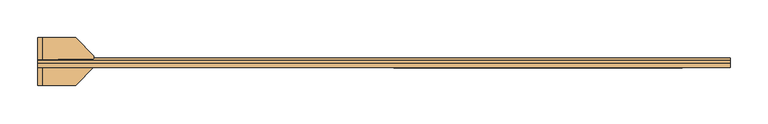
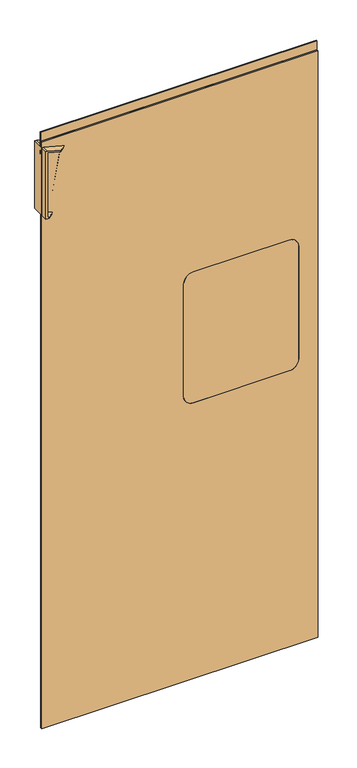
"""IFC4 building model written with IfcOpenShell, lengths in millimetres: door geometry."""

import ifcopenshell
import ifcopenshell.guid

model = None  # the IFC model being written
_history = None  # IfcOwnerHistory: only IFC2X3 demands one
_inside = {}  # id of a spatial element -> (the spatial element, [elements in it])
_under = {}  # id of a project, library or spatial element -> (it, [spatial elements below it])
_declared = {}  # id of a project -> (the project, [libraries it declares])
_typed = {}  # id of a type object -> (the type object, [elements of that type])
_made_of = {}  # id of a material, layer set ... -> (it, [elements and type objects made of it])


def new_model(schema):
    """Start an empty IFC model of exactly this schema.

    Asked for "IFC4X3", IfcOpenShell would pick the latest addendum, in which some entities
    have other attributes; the version numbers below select the first issue.
    IFC2X3 requires an IfcOwnerHistory on every rooted entity: one is made here for all.
    """
    global model, _history
    if schema == "IFC4X3":
        model = ifcopenshell.file(schema_version=(4, 3, 0, 0))
    else:
        model = ifcopenshell.file(schema=schema)
    _inside.clear()
    _under.clear()
    _declared.clear()
    _typed.clear()
    _made_of.clear()
    _history = None
    if model.schema == "IFC2X3":
        org = make("IfcOrganization", Name="unknown")
        user = make(
            "IfcPersonAndOrganization",
            ThePerson=make("IfcPerson", FamilyName="unknown"),
            TheOrganization=org,
        )
        app = make(
            "IfcApplication",
            ApplicationDeveloper=org,
            Version="unknown",
            ApplicationFullName="unknown",
            ApplicationIdentifier="unknown",
        )
        _history = make(
            "IfcOwnerHistory",
            OwningUser=user,
            OwningApplication=app,
            ChangeAction="ADDED",
            CreationDate=0,
        )
    return model


def make(cls, **values):
    """One entity of the class cls with the attributes given. An attribute that is None is left unset."""
    return model.create_entity(
        cls, **{name: value for name, value in values.items() if value is not None}
    )


def rooted(cls, **values):
    """An entity with a GlobalId (a new one), such as an element, a storey or a relation."""
    return make(cls, GlobalId=ifcopenshell.guid.new(), OwnerHistory=_history, **values)


def si_unit(unit_type, name, prefix=None):
    """IfcSIUnit, for example si_unit("LENGTHUNIT", "METRE", prefix="MILLI")."""
    return make("IfcSIUnit", UnitType=unit_type, Prefix=prefix, Name=name)


def assignment(units):
    """IfcUnitAssignment: the units of a project."""
    return None if units is None else make("IfcUnitAssignment", Units=units)


def point(xyz):
    """IfcCartesianPoint."""
    return None if xyz is None else make("IfcCartesianPoint", Coordinates=xyz)


def direction(xyz):
    """IfcDirection."""
    return None if xyz is None else make("IfcDirection", DirectionRatios=xyz)


def frame(location, z_axis=None, x_axis=None):
    """IfcAxis2Placement3D, a coordinate frame: its origin and axes. An axis left out is left unset."""
    return make(
        "IfcAxis2Placement3D",
        Location=point(location),
        Axis=direction(z_axis),
        RefDirection=direction(x_axis),
    )


def frame_2d(location, x_axis=None):
    """IfcAxis2Placement2D, a coordinate frame in the plane: its origin and x axis."""
    return make(
        "IfcAxis2Placement2D", Location=point(location), RefDirection=direction(x_axis)
    )


def origin():
    """The frame at (0, 0, 0) with its axes left unset."""
    return frame((0.0, 0.0, 0.0))


def place(relative_to, where):
    """IfcLocalPlacement: puts the frame where relative to a parent placement (None: the world)."""
    return make(
        "IfcLocalPlacement", PlacementRelTo=relative_to, RelativePlacement=where
    )


def context(
    kind, dimensions, precision=None, world=None, true_north=None, identifier=None
):
    """IfcGeometricRepresentationContext, for example the 3D "Model" context."""
    return make(
        "IfcGeometricRepresentationContext",
        ContextIdentifier=identifier,
        ContextType=kind,
        CoordinateSpaceDimension=dimensions,
        Precision=precision,
        WorldCoordinateSystem=world,
        TrueNorth=true_north,
    )


def project(units=None, contexts=None):
    """IfcProject with its units and contexts."""
    return rooted(
        "IfcProject",
        Name="project",
        RepresentationContexts=contexts,
        UnitsInContext=assignment(units),
    )


def spatial(cls, under=None, at=None, **own):
    """A site, building, storey or space (cls), placed at a placement, below another one or the project."""
    s = rooted(cls, ObjectPlacement=at, **own)
    if under is not None:
        _under.setdefault(under.id(), (under, []))[1].append(s)
    return s


def polyline(points):
    """IfcPolyline through the points."""
    return make("IfcPolyline", Points=[point(p) for p in points])


def circle_curve(where, radius):
    """IfcCircle in the frame where."""
    return make("IfcCircle", Position=where, Radius=radius)


def ellipse_curve(where, semi_axis1, semi_axis2):
    """IfcEllipse in the frame where."""
    return make(
        "IfcEllipse", Position=where, SemiAxis1=semi_axis1, SemiAxis2=semi_axis2
    )


def trimmed(basis, trim1, trim2, sense, master):
    """IfcTrimmedCurve: the piece of a basis curve between two trims."""
    return make(
        "IfcTrimmedCurve",
        BasisCurve=basis,
        Trim1=trim1,
        Trim2=trim2,
        SenseAgreement=sense,
        MasterRepresentation=master,
    )


def segment(curve, same_sense, transition):
    """IfcCompositeCurveSegment."""
    return make(
        "IfcCompositeCurveSegment",
        Transition=transition,
        SameSense=same_sense,
        ParentCurve=curve,
    )


def composite_curve(segments, self_intersect=None):
    """IfcCompositeCurve: segments joined end to end."""
    return make("IfcCompositeCurve", Segments=segments, SelfIntersect=self_intersect)


def outline(outer, holes=None, kind="AREA"):
    """IfcArbitraryClosedProfileDef: a profile drawn as a closed curve; with holes, ...WithVoids."""
    if holes is None:
        return make("IfcArbitraryClosedProfileDef", ProfileType=kind, OuterCurve=outer)
    return make(
        "IfcArbitraryProfileDefWithVoids",
        ProfileType=kind,
        OuterCurve=outer,
        InnerCurves=holes,
    )


def extrude(swept, where, along, depth):
    """IfcExtrudedAreaSolid: the profile swept, set in the frame where, extruded along a direction by depth."""
    return make(
        "IfcExtrudedAreaSolid",
        SweptArea=swept,
        Position=where,
        ExtrudedDirection=direction(along),
        Depth=depth,
    )


def shape(context_of_items, identifier, shape_type, items):
    """IfcShapeRepresentation: the items that make up one representation, for example the "Body"."""
    return make(
        "IfcShapeRepresentation",
        ContextOfItems=context_of_items,
        RepresentationIdentifier=identifier,
        RepresentationType=shape_type,
        Items=items,
    )


def source(mapping_origin, context_of_items, identifier, shape_type, items):
    """IfcRepresentationMap: a shape defined once, which mapped items show again and again."""
    return make(
        "IfcRepresentationMap",
        MappingOrigin=mapping_origin,
        MappedRepresentation=shape(context_of_items, identifier, shape_type, items),
    )


def transform(
    local_origin,
    x_axis=None,
    y_axis=None,
    z_axis=None,
    scale=None,
    scale2=None,
    scale3=None,
    uniform=True,
):
    """IfcCartesianTransformationOperator3D, or its non-uniform kind. x_axis, y_axis, z_axis: its Axis1, 2, 3."""
    if uniform:
        return make(
            "IfcCartesianTransformationOperator3D",
            Axis1=direction(x_axis),
            Axis2=direction(y_axis),
            LocalOrigin=point(local_origin),
            Scale=scale,
            Axis3=direction(z_axis),
        )
    return make(
        "IfcCartesianTransformationOperator3DnonUniform",
        Axis1=direction(x_axis),
        Axis2=direction(y_axis),
        LocalOrigin=point(local_origin),
        Scale=scale,
        Axis3=direction(z_axis),
        Scale2=scale2,
        Scale3=scale3,
    )


def mapped(mapping_source, mapping_target):
    """IfcMappedItem: shows the shape of a source again, moved by a transform."""
    return make(
        "IfcMappedItem", MappingSource=mapping_source, MappingTarget=mapping_target
    )


def made_of(thing, what):
    """Note that an element or type object is made of a material, layer set ...; save() writes the relation."""
    if what is not None:
        _made_of.setdefault(what.id(), (what, []))[1].append(thing)
    return thing


def element(
    cls,
    number,
    at=None,
    inside=None,
    cuts=None,
    type_object=None,
    material=None,
    context=None,
    identifier="Body",
    shape_type=None,
    held_by="IfcProductDefinitionShape",
    body=None,
    shapes=None,
    **own,
):
    """One element of the class cls, such as IfcWall. Its Tag is "e" and its number.

    at: its placement. inside: the storey or other place that contains it. cuts: it is an
    opening in that element (IfcRelVoidsElement). A single representation is given by context,
    identifier, shape_type and body (its items); several are given by shapes. held_by: the class
    of the entity that holds the representations. save() writes the other relations.
    """
    e = rooted(cls, Tag="e%d" % number, ObjectPlacement=at, **own)
    if body is not None:
        shapes = [shape(context, identifier, shape_type, body)]
    if shapes is not None:
        e.Representation = make(held_by, Representations=shapes)
    if inside is not None:
        _inside.setdefault(inside.id(), (inside, []))[1].append(e)
    if cuts is not None:
        rooted(
            "IfcRelVoidsElement", RelatingBuildingElement=cuts, RelatedOpeningElement=e
        )
    if type_object is not None:
        _typed.setdefault(type_object.id(), (type_object, []))[1].append(e)
    return made_of(e, material)


def aggregate(whole, parts):
    """IfcRelAggregates: a whole, such as a stair, and the parts it consists of."""
    return rooted("IfcRelAggregates", RelatingObject=whole, RelatedObjects=parts)


def save(model, path):
    """Write the relations noted so far, then the file.

    IfcRelAggregates (storeys below a building ...), IfcRelContainedInSpatialStructure (elements
    in a storey), IfcRelDefinesByType, IfcRelAssociatesMaterial and IfcRelDeclares: one each for
    every whole, place, type object, material and project.
    """
    for whole, parts in _under.values():
        aggregate(whole, parts)
    for where, things in _inside.values():
        rooted(
            "IfcRelContainedInSpatialStructure",
            RelatedElements=things,
            RelatingStructure=where,
        )
    for kind, things in _typed.values():
        rooted("IfcRelDefinesByType", RelatedObjects=things, RelatingType=kind)
    for what, things in _made_of.values():
        rooted("IfcRelAssociatesMaterial", RelatedObjects=things, RelatingMaterial=what)
    for by, libraries in _declared.values():
        rooted("IfcRelDeclares", RelatingContext=by, RelatedDefinitions=libraries)
    model.write(path)


def plane_surface(at):
    """IfcPlane: the flat surface through the origin of the frame at, square to its z axis."""
    return make("IfcPlane", Position=at)


def cylinder_surface(at, radius):
    """IfcCylindricalSurface: all points at the distance radius from the z axis of the frame at."""
    return make("IfcCylindricalSurface", Position=at, Radius=radius)


def revolved_surface(curve, axis_point, axis_direction):
    """IfcSurfaceOfRevolution: the curve turned about the line through axis_point along axis_direction."""
    return make(
        "IfcSurfaceOfRevolution",
        SweptCurve=make("IfcArbitraryOpenProfileDef", ProfileType="CURVE", Curve=curve),
        AxisPosition=make("IfcAxis1Placement", Location=point(axis_point), Axis=direction(axis_direction)),
    )


def advanced_brep(points, edges, surfaces, faces):
    """IfcAdvancedBrep: a solid bounded by faces that lie on surfaces and meet in shared edges.

    An edge is (start, end): straight between two places in points (the first is 0);
    or (start, end, curve); or (start, end, curve, False) where it runs against its curve.
    A face is (place in surfaces, loops), or (place, loops, False) where it looks against
    its surface's normal. A loop lists edges by number (the first is 1), with a minus sign
    where the edge is run from its end to its start. The first loop is the outer one.
    """
    corners = [point(p) for p in points]
    vertices = [make("IfcVertexPoint", VertexGeometry=c) for c in corners]
    made = []
    for start, end, *more in edges:
        made.append(
            make(
                "IfcEdgeCurve",
                EdgeStart=vertices[start],
                EdgeEnd=vertices[end],
                EdgeGeometry=more[0] if more else make("IfcPolyline", Points=[corners[start], corners[end]]),
                SameSense=more[1] if len(more) > 1 else True,
            )
        )
    hull = []
    for where, loops, *sense in faces:
        bounds = []
        for j, loop in enumerate(loops):
            ring = [make("IfcOrientedEdge", EdgeElement=made[abs(k) - 1], Orientation=k > 0) for k in loop]
            bounds.append(
                make(
                    "IfcFaceOuterBound" if j == 0 else "IfcFaceBound",
                    Bound=make("IfcEdgeLoop", EdgeList=ring),
                    Orientation=True,
                )
            )
        hull.append(make("IfcAdvancedFace", Bounds=bounds, FaceSurface=surfaces[where], SameSense=sense[0] if sense else True))
    return make("IfcAdvancedBrep", Outer=make("IfcClosedShell", CfsFaces=hull))


def door_c4492dbf(model_context):
    return source(origin(), model_context, "Body", "SolidModel", [
        advanced_brep(
        [(1225.8019187, -830.8910438, 2071.0742159), (1182.0406968, -830.8910438, 2082.8), (1182.0406968, -894.3910438, 2082.8), (1225.8019187, -894.3910438, 2071.0742159), (1249.4426322, -869.9163763, 2064.7397058), (1249.4426322, -855.3657114, 2064.7397058), (1224.4650595, -830.8910438, 2066.0849895), (1248.105773, -855.3657114, 2059.7504794), (1248.105773, -869.9163763, 2059.7504794), (1224.4650595, -894.3910438, 2066.0849895), (1182.0406968, -894.3910438, 2077.4525632), (1182.0406968, -830.8910438, 2077.4525632), (1242.8054056, -862.6410438, 2061.1707086), (1230.5381476, -862.6410438, 2064.4577104), (1182.0406968, -830.8910438, 1854.4149189), (1188.1743258, -830.8910438, 1852.771418), (1186.5330961, -830.8910438, 1846.6462652), (1182.0406968, -830.8910438, 1847.85), (1175.6906968, -830.8910438, 1847.85), (1175.6906968, -830.8910438, 2082.8), (1175.6906968, -894.3910438, 2082.8), (1175.6906968, -894.3910438, 1847.85), (1182.0406968, -894.3910438, 1847.85), (1186.5330961, -894.3910438, 1846.6462652), (1188.1743258, -894.3910438, 1852.771418), (1182.0406968, -894.3910438, 1854.4149189), (1212.0136473, -869.7107622, 1846.383691), (1212.0136473, -855.5713255, 1846.383691), (1210.3724175, -855.5713255, 1840.2585383), (1210.3724175, -869.7107622, 1840.2585383), (1203.3407, -862.6410438, 1849.7196986), (1190.893543, -862.6410438, 1852.0428059), (1197.027172, -862.6410438, 1850.399305)],
        [
            (0, 1),
            (1, 2),
            (2, 3),
            (3, 4),
            (4, 5),
            (5, 0),
            (6, 7),
            (7, 8),
            (8, 9),
            (9, 10),
            (10, 11),
            (11, 6),
            (12, 13, ellipse_curve(frame((1236.6717766, -862.6410438, 2062.8142095), z_axis=(0.2588190451025264, 0.0, 0.9659258262890668), x_axis=(0.9659258262890668, 0.0, -0.25881904510252673)), 6.35, 6.3310454)),
            (13, 12, ellipse_curve(frame((1236.6717766, -862.6410438, 2062.8142095), z_axis=(0.2588190451025264, 0.0, 0.9659258262890668), x_axis=(0.9659258262890668, 0.0, -0.25881904510252673)), 6.35, 6.3310454)),
            (0, 6),
            (11, 14),
            (14, 15),
            (15, 16),
            (16, 17),
            (17, 18),
            (18, 19),
            (19, 1),
            (2, 20),
            (20, 21),
            (21, 22),
            (22, 23),
            (23, 24),
            (24, 25),
            (25, 10),
            (9, 3),
            (8, 4),
            (7, 5),
            (21, 18),
            (17, 22),
            (25, 14),
            (19, 20),
            (24, 26),
            (26, 27),
            (27, 15),
            (16, 28),
            (28, 29),
            (29, 23),
            (29, 26),
            (28, 27),
            (30, 31, circle_curve(frame((1197.1171215, -862.6410438, 1850.8812522), z_axis=(0.1834694866417535, 0.0, 0.9830254053031445), x_axis=(-0.9830254053031445, 0.0, 0.1834694866417535)), 6.3310454)),
            (31, 13),
            (12, 30),
            (31, 30, circle_curve(frame((1197.1171215, -862.6410438, 1850.8812522), z_axis=(0.1834694866417535, 0.0, 0.9830254053031445), x_axis=(-0.9830254053031445, 0.0, 0.1834694866417535)), 6.3310454)),
            (30, 32),
            (32, 31),
        ],
        [
            plane_surface(frame((1182.0406968, -830.8910438, 2082.8), z_axis=(0.2588190451025264, 0.0, 0.9659258262890668), x_axis=(-0.9659258262890668, 0.0, 0.2588190451025264))),
            plane_surface(frame((1180.7038376, -830.8910438, 2077.8107736), z_axis=(-0.2588190451025264, 0.0, -0.9659258262890668), x_axis=(0.9659258262890668, 0.0, -0.2588190451025264))),
            plane_surface(frame((1225.8019187, -830.8910438, 2071.0742159), z_axis=(0.0, 1.0, 0.0), x_axis=(-0.25881904510252596, 0.0, -0.965925826289067))),
            plane_surface(frame((1182.0406968, -894.3910438, 2082.8), z_axis=(0.0, -1.0, 0.0), x_axis=(-0.25881904510252585, 0.0, -0.965925826289067))),
            plane_surface(frame((1225.8019187, -894.3910438, 2071.0742159), z_axis=(0.6830127018922182, -0.7071067811865478, -0.18301270189222296), x_axis=(-0.25881904510252596, 0.0, -0.965925826289067))),
            plane_surface(frame((1249.4426322, -869.9163763, 2064.7397058), z_axis=(0.965925826289067, 0.0, -0.25881904510252596), x_axis=(-0.25881904510252596, 0.0, -0.965925826289067))),
            plane_surface(frame((1249.4426322, -855.3657114, 2064.7397058), z_axis=(0.6830127018922197, 0.7071067811865462, -0.18301270189222335), x_axis=(-0.25881904510252596, 0.0, -0.965925826289067))),
            plane_surface(frame((1175.6906968, -894.3910438, 1847.85), z_axis=(0.0, 0.0, -1.0), x_axis=(0.0, 1.0, 0.0))),
            plane_surface(frame((1182.0406968, -894.3910438, 1847.85), z_axis=(1.0, 0.0, 0.0), x_axis=(0.0, 1.0, 0.0))),
            plane_surface(frame((1182.0406968, -894.3910438, 2082.8), z_axis=(0.0, 0.0, 1.0), x_axis=(0.0, 1.0, 0.0))),
            plane_surface(frame((1175.6906968, -894.3910438, 2082.8), z_axis=(-1.0, 0.0, 0.0), x_axis=(0.0, 1.0, 0.0))),
            plane_surface(frame((1182.0406968, -830.8910438, 1854.4149189), z_axis=(0.25881904510252646, 0.0, 0.9659258262890668), x_axis=(-0.9659258262890668, 0.0, 0.25881904510252646))),
            plane_surface(frame((1180.3994671, -830.8910438, 1848.2897662), z_axis=(-0.25881904510252646, 0.0, -0.9659258262890668), x_axis=(0.9659258262890668, 0.0, -0.25881904510252646))),
            plane_surface(frame((1188.1743258, -894.3910438, 1852.771418), z_axis=(0.6830127018922176, -0.7071067811865483, -0.18301270189222274), x_axis=(-0.25881904510252585, 0.0, -0.9659258262890669))),
            plane_surface(frame((1212.0136473, -869.7107622, 1846.383691), z_axis=(0.9659258262890669, 0.0, -0.25881904510252635), x_axis=(-0.25881904510252635, 0.0, -0.9659258262890669))),
            plane_surface(frame((1212.0136473, -855.5713255, 1846.383691), z_axis=(0.6830127018922203, 0.7071067811865456, -0.1830127018922238), x_axis=(-0.25881904510252635, 0.0, -0.9659258262890669))),
            cylinder_surface(frame((1197.027172, -862.6410438, 1850.399305), z_axis=(-0.1834694866417535, 0.0, -0.9830254053031445), x_axis=(-0.9830254053031445, 0.0, 0.1834694866417535)), 6.3310454),
            revolved_surface(polyline([(1190.893543, -862.6410438, 1852.0428059), (1197.027172, -862.6410438, 1850.399305)]), (1197.027172, -862.6410438, 1850.399305), (-0.1834694866417535, 0.0, -0.9830254053031445)),
        ],
        [
            (0, [[1, 2, 3, 4, 5, 6]]),
            (1, [[7, 8, 9, 10, 11, 12], [13, 14]]),
            (2, [[-1, 15, -12, 16, 17, 18, 19, 20, 21, 22]]),
            (3, [[-3, 23, 24, 25, 26, 27, 28, 29, -10, 30]]),
            (4, [[-4, -30, -9, 31]]),
            (5, [[-5, -31, -8, 32]]),
            (6, [[-6, -32, -7, -15]]),
            (7, [[-25, 33, -20, 34]]),
            (8, [[-11, -29, 35, -16]]),
            (9, [[-23, -2, -22, 36]]),
            (10, [[-24, -36, -21, -33]]),
            (11, [[-17, -35, -28, 37, 38, 39]]),
            (12, [[40, 41, 42, -26, -34, -19]]),
            (13, [[-37, -27, -42, 43]]),
            (14, [[-38, -43, -41, 44]]),
            (15, [[-39, -44, -40, -18]]),
            (16, [[45, 46, -13, 47]]),
            (16, [[-46, 48, -47, -14]]),
            (17, [[-45, 49, 50]]),
            (17, [[-48, -50, -49]]),
        ],
    ),
        extrude(outline(composite_curve([segment(polyline([(1473.2, 1994.8406968), (1473.2, 1677.3406968)]), True, "CONTINUOUS"), segment(trimmed(circle_curve(frame_2d((1441.45, 1677.3406968)), 31.75), [point((1473.2, 1677.3406968))], [point((1441.45, 1645.5906968))], False, "CARTESIAN"), True, "CONTINUOUS"), segment(polyline([(1441.45, 1645.5906968), (1047.75, 1645.5906968)]), True, "CONTINUOUS"), segment(trimmed(circle_curve(frame_2d((1047.75, 1677.3406968)), 31.75), [point((1047.75, 1645.5906968))], [point((1016.0, 1677.3406968))], False, "CARTESIAN"), True, "CONTINUOUS"), segment(polyline([(1016.0, 1677.3406968), (1016.0, 1994.8406968)]), True, "CONTINUOUS"), segment(trimmed(circle_curve(frame_2d((1047.75, 1994.8406968)), 31.75), [point((1016.0, 1994.8406968))], [point((1047.75, 2026.5906968))], False, "CARTESIAN"), True, "CONTINUOUS"), segment(polyline([(1047.75, 2026.5906968), (1441.45, 2026.5906968)]), True, "CONTINUOUS"), segment(trimmed(circle_curve(frame_2d((1441.45, 1994.8406968)), 31.75), [point((1441.45, 2026.5906968))], [point((1473.2, 1994.8406968))], False, "CARTESIAN"), True, "CONTINUOUS")], self_intersect=False)), frame((0.0, -870.5785438, 0.0), z_axis=(0.0, 1.0, 0.0), x_axis=(0.0, 0.0, 1.0)), (0.0, 0.0, 1.0), 6.35),
        extrude(outline(polyline([(-864.2285438, 2101.85), (-864.2285438, 2133.6), (-861.0535438, 2133.6), (-861.0535438, 2101.85), (-857.8872187, 2041.3573814), (-857.8872187, 1901.4916485), (-861.0535438, 1901.4916485), (-861.0535438, 2041.1916485), (-864.2285438, 2101.85)])), frame((1175.6906968, 0.0, 0.0), z_axis=(1.0, 0.0, 0.0), x_axis=(0.0, 1.0, 0.0)), (0.0, 0.0, 1.0), 914.4),
        extrude(outline(polyline([(2101.85, 1175.6906968), (50.8, 1175.6906968), (50.8, 2090.0906968), (2101.85, 2090.0906968), (2101.85, 1175.6906968)]), holes=[composite_curve([segment(polyline([(1016.0, 1994.8406968), (1016.0, 1677.3406968)]), True, "CONTINUOUS"), segment(trimmed(circle_curve(frame_2d((1047.75, 1677.3406968)), 31.75), [point((1016.0, 1677.3406968))], [point((1047.75, 1645.5906968))], True, "CARTESIAN"), True, "CONTINUOUS"), segment(polyline([(1047.75, 1645.5906968), (1441.45, 1645.5906968)]), True, "CONTINUOUS"), segment(trimmed(circle_curve(frame_2d((1441.45, 1677.3406968)), 31.75), [point((1441.45, 1645.5906968))], [point((1473.2, 1677.3406968))], True, "CARTESIAN"), True, "CONTINUOUS"), segment(polyline([(1473.2, 1677.3406968), (1473.2, 1994.8406968)]), True, "CONTINUOUS"), segment(trimmed(circle_curve(frame_2d((1441.45, 1994.8406968)), 31.75), [point((1473.2, 1994.8406968))], [point((1441.45, 2026.5906968))], True, "CARTESIAN"), True, "CONTINUOUS"), segment(polyline([(1441.45, 2026.5906968), (1047.75, 2026.5906968)]), True, "CONTINUOUS"), segment(trimmed(circle_curve(frame_2d((1047.75, 1994.8406968)), 31.75), [point((1047.75, 2026.5906968))], [point((1016.0, 1994.8406968))], True, "CARTESIAN"), True, "CONTINUOUS")], self_intersect=False)]), frame((0.0, -870.5785438, 0.0), z_axis=(0.0, 1.0, 0.0), x_axis=(0.0, 0.0, 1.0)), (0.0, 0.0, 1.0), 6.35),
        extrude(outline(polyline([(2041.1916485, 2058.3406968), (2041.1916485, 1230.9012363), (1914.1916485, 1207.4406968), (1914.1916485, 2058.3406968), (2041.1916485, 2058.3406968)])), frame((0.0, -864.2285438, 0.0), z_axis=(0.0, 1.0, 0.0), x_axis=(0.0, 0.0, 1.0)), (0.0, 0.0, 1.0), 3.175),
    ])


if __name__ == "__main__":
    model = new_model("IFC4")
    model_context = context("Model", 3, world=origin())
    ifc_project = project(units=[si_unit("LENGTHUNIT", "METRE", prefix="MILLI")], contexts=[model_context])
    site = spatial("IfcSite", under=ifc_project)
    building = spatial("IfcBuilding", under=site)
    placement = place(None, origin())
    door_shape = door_c4492dbf(model_context)
    element("IfcDoor", 1, at=placement, inside=building, context=model_context, shape_type="MappedRepresentation", body=[
        mapped(door_shape, transform((0.0, 0.0, 0.0), x_axis=(1.0, 0.0, 0.0), y_axis=(0.0, 1.0, 0.0), z_axis=(0.0, 0.0, 1.0))),
    ])
    save(model, "model.ifc")
